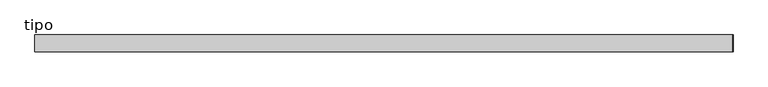
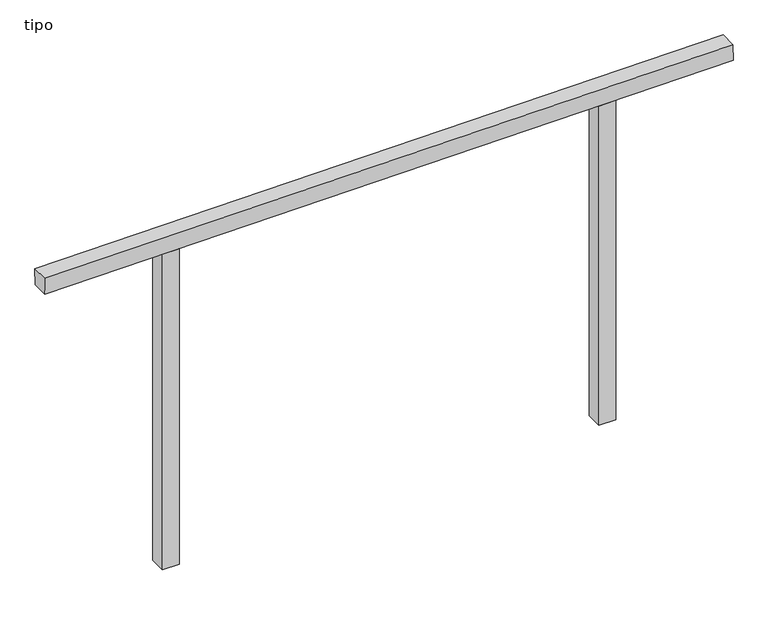
"""IFC4 building model written with IfcOpenShell, lengths in millimetres: proxy geometry, tipo."""

from ifc_helpers import new_model, si_unit, frame, origin, place, context, project, spatial, polyline, outline, extrude, source, transform, mapped, element, save


def tipo_5d99ff80(model_context):
    return source(origin(), model_context, "Body", "SweptSolid", [
        extrude(outline(polyline([(0.0, -4100.0), (0.0, 0.0), (100.0, 0.0), (100.0, -4100.0), (0.0, -4100.0)])), frame((-2049.917387, -100.0, 1981.5960215), z_axis=(-0.00897755049570379, 0.0, 0.9999597009815431), x_axis=(0.0, 1.0, 0.0)), (0.0, 0.0, 1.0), 100.0),
        extrude(outline(polyline([(2012.1201816, 1350.0), (2011.2223904, 1250.0), (0.0, 1250.0), (0.0, 1350.0), (2012.1201816, 1350.0)])), frame((0.0, -100.0, 0.0), z_axis=(0.0, 1.0, 0.0), x_axis=(0.0, 0.0, 1.0)), (0.0, 0.0, 1.0), 100.0),
        extrude(outline(polyline([(1987.8798184, -1350.0), (0.0, -1350.0), (0.0, -1250.0), (1988.7776096, -1250.0), (1987.8798184, -1350.0)])), frame((0.0, -100.0, 0.0), z_axis=(0.0, 1.0, 0.0), x_axis=(0.0, 0.0, 1.0)), (0.0, 0.0, 1.0), 100.0),
    ])


if __name__ == "__main__":
    model = new_model("IFC4")
    model_context = context("Model", 3, world=origin())
    ifc_project = project(units=[si_unit("LENGTHUNIT", "METRE", prefix="MILLI")], contexts=[model_context])
    site = spatial("IfcSite", under=ifc_project)
    building = spatial("IfcBuilding", under=site)
    placement = place(None, origin())
    tipo_shape = tipo_5d99ff80(model_context)
    element("IfcBuildingElementProxy", 1, Name="tipo", ObjectType="tipo", at=placement, inside=building, context=model_context, shape_type="MappedRepresentation", body=[
        mapped(tipo_shape, transform((0.0, 0.0, 0.0), x_axis=(1.0, 0.0, 0.0), y_axis=(0.0, 1.0, 0.0), z_axis=(0.0, 0.0, 1.0))),
    ])
    save(model, "model.ifc")
